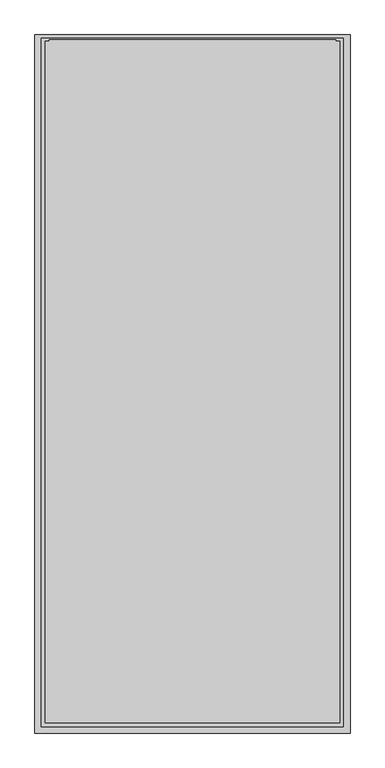
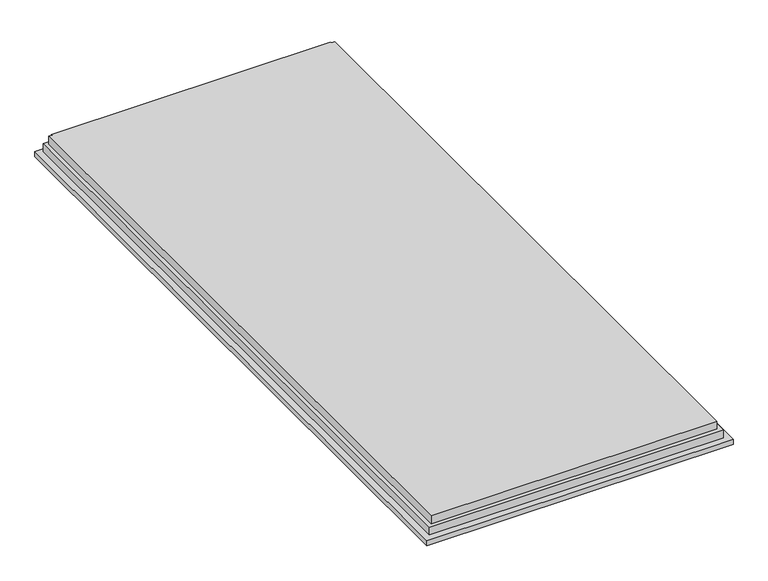
"""IFC4 building model written with IfcOpenShell, lengths in millimetres: proxy geometry."""

from ifc_helpers import new_model, si_unit, origin, place, context, project, spatial, faceted_brep, source, transform, mapped, element, save


def generic_models_c47adaf5(model_context):
    return source(origin(), model_context, "Body", "Brep", [
        faceted_brep([(1000.0, -2130.0, -68.0), (40.0, -2130.0, -68.0), (40.0, -2130.0, -84.5), (1000.0, -2130.0, -84.5), (1000.0, -3.0, -84.5), (40.0, -3.0, -84.5), (968.0, -22.0, -16.5), (957.0, -22.0, -16.5), (957.0, -18.0, -16.5), (83.0, -18.0, -16.5), (83.0, -22.0, -16.5), (72.0, -22.0, -16.5), (72.0, -2098.0, -16.5), (968.0, -2098.0, -16.5), (1000.0, -3.0, -68.0), (40.0, -3.0, -68.0), (980.0, -13.0, -68.0), (980.0, -2110.0, -68.0), (60.0, -2110.0, -68.0), (60.0, -13.0, -68.0), (980.0, -13.0, -42.0), (980.0, -2110.0, -42.0), (968.0, -2098.0, -42.0), (968.0, -22.0, -42.0), (60.0, -13.0, -42.0), (60.0, -2110.0, -42.0), (72.0, -2098.0, -42.0), (72.0, -22.0, -42.0), (83.0, -22.0, -42.0), (83.0, -18.0, -42.0), (957.0, -18.0, -42.0), (957.0, -22.0, -42.0)], [[[0, 1, 2, 3]], [[4, 3, 2, 5]], [[6, 7, 8, 9, 10, 11, 12, 13]], [[3, 4, 14, 0]], [[4, 5, 15, 14]], [[0, 14, 15, 1], [16, 17, 18, 19]], [[17, 16, 20, 21]], [[22, 23, 6, 13]], [[20, 24, 25, 21], [22, 26, 27, 28, 29, 30, 31, 23]], [[5, 2, 1, 15]], [[25, 24, 19, 18]], [[12, 11, 27, 26]], [[18, 17, 21, 25]], [[26, 22, 13, 12]], [[19, 24, 20, 16]], [[11, 10, 28, 27]], [[23, 31, 7, 6]], [[9, 29, 28, 10]], [[8, 30, 29, 9]], [[7, 31, 30, 8]]]),
    ])


if __name__ == "__main__":
    model = new_model("IFC4")
    model_context = context("Model", 3, world=origin())
    ifc_project = project(units=[si_unit("LENGTHUNIT", "METRE", prefix="MILLI")], contexts=[model_context])
    site = spatial("IfcSite", under=ifc_project)
    building = spatial("IfcBuilding", under=site)
    placement = place(None, origin())
    generic_models_shape = generic_models_c47adaf5(model_context)
    element("IfcBuildingElementProxy", 1, Name="Generic Models", at=placement, inside=building, context=model_context, shape_type="MappedRepresentation", body=[
        mapped(generic_models_shape, transform((0.0, 0.0, 0.0), x_axis=(1.0, 0.0, 0.0), y_axis=(0.0, 1.0, 0.0), z_axis=(0.0, 0.0, 1.0))),
    ])
    save(model, "model.ifc")
